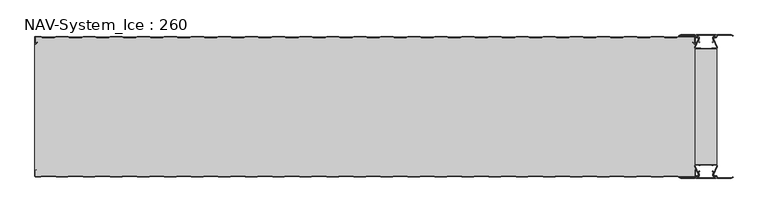
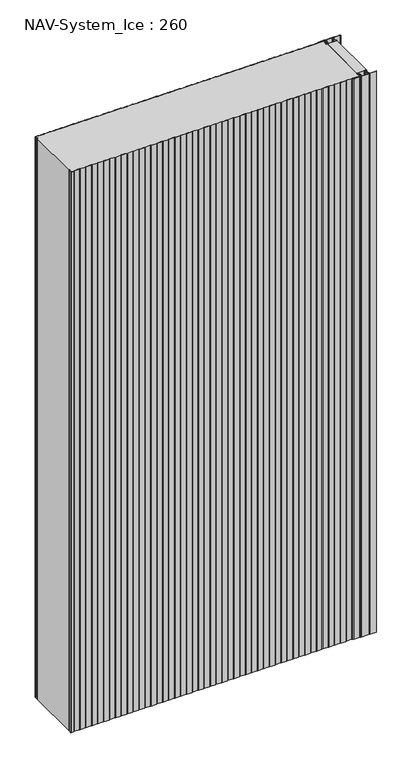
"""IFC4 building model written with IfcOpenShell, lengths in millimetres: plate geometry, NAV-System_Ice : 260."""

from ifc_helpers import new_model, si_unit, point, frame_2d, origin, origin_with_axes, place, context, project, spatial, polyline, circle_curve, trimmed, segment, composite_curve, outline, extrude, source, transform, mapped, element, save


def nav_system_ice_260_a8a6d92b(model_context):
    return source(origin(), model_context, "Body", "SweptSolid", [
        extrude(outline(polyline([(630.0, -236.9693935), (590.0, -236.9693935), (590.0, -23.0306065), (630.0, -23.0306065), (630.0, -236.9693935)])), origin_with_axes(), (0.0, 0.0, 1.0), 2500.0),
        extrude(outline(composite_curve([segment(trimmed(circle_curve(frame_2d((599.1138734, -251.8417863)), 3.357884), [point((596.1169606, -253.3563483))], [point((597.7243711, -248.7848813))], False, "CARTESIAN"), True, "CONTINUOUS"), segment(polyline([(597.7243711, -248.7848813), (598.0554135, -249.5131744)]), True, "CONTINUOUS"), segment(trimmed(circle_curve(frame_2d((599.1138734, -251.8417863)), 2.557884), [point((598.0554135, -249.5131744))], [point((596.8448746, -253.0226397))], True, "CARTESIAN"), True, "CONTINUOUS"), segment(polyline([(596.8448746, -253.0226397), (597.7376807, -255.2182139)]), True, "CONTINUOUS"), segment(trimmed(circle_curve(frame_2d((593.7962884, -256.3456266)), 4.0994674), [point((597.7376807, -255.2182139))], [point((593.7866434, -260.4450826))], False, "CARTESIAN"), True, "CONTINUOUS"), segment(polyline([(593.7866434, -260.4450826), (592.2194901, -260.4092333)]), True, "CONTINUOUS"), segment(trimmed(circle_curve(frame_2d((592.2592624, -261.3027113)), 0.8943628), [point((592.2194901, -260.4092333))], [point((592.2592624, -262.1970741))], True, "CARTESIAN"), True, "CONTINUOUS"), segment(polyline([(592.2592624, -262.1970741), (627.7407376, -262.1970741)]), True, "CONTINUOUS"), segment(trimmed(circle_curve(frame_2d((627.7407376, -261.3027113)), 0.8943628), [point((627.7407376, -262.1970741))], [point((627.7805099, -260.4092333))], True, "CARTESIAN"), True, "CONTINUOUS"), segment(polyline([(627.7805099, -260.4092333), (626.2133566, -260.4450826)]), True, "CONTINUOUS"), segment(trimmed(circle_curve(frame_2d((626.2037116, -256.3456266)), 4.0994674), [point((626.2133566, -260.4450826))], [point((622.2623193, -255.2182139))], False, "CARTESIAN"), True, "CONTINUOUS"), segment(polyline([(622.2623193, -255.2182139), (623.1551254, -253.0226397)]), True, "CONTINUOUS"), segment(trimmed(circle_curve(frame_2d((620.8861266, -251.8417863)), 2.557884), [point((623.1551254, -253.0226397))], [point((621.9445865, -249.5131744))], True, "CARTESIAN"), True, "CONTINUOUS"), segment(polyline([(621.9445865, -249.5131744), (622.2756289, -248.7848813)]), True, "CONTINUOUS"), segment(trimmed(circle_curve(frame_2d((620.8861266, -251.8417863)), 3.357884), [point((622.2756289, -248.7848813))], [point((623.8830394, -253.3563483))], False, "CARTESIAN"), True, "CONTINUOUS"), segment(polyline([(623.8830394, -253.3563483), (623.0205049, -255.4774793)]), True, "CONTINUOUS"), segment(trimmed(circle_curve(frame_2d((626.2037116, -256.3456266)), 3.2994674), [point((623.0205049, -255.4774793))], [point((626.2037116, -259.645094))], True, "CARTESIAN"), True, "CONTINUOUS"), segment(polyline([(626.2037116, -259.645094), (627.7848884, -259.6089239)]), True, "CONTINUOUS"), segment(trimmed(circle_curve(frame_2d((627.7407376, -261.3027113)), 1.6943628), [point((627.7848884, -259.6089239))], [point((627.7407423, -262.9970741))], False, "CARTESIAN"), True, "CONTINUOUS"), segment(polyline([(627.7407423, -262.9970741), (592.2592577, -262.9970741)]), True, "CONTINUOUS"), segment(trimmed(circle_curve(frame_2d((592.2592624, -261.3027113)), 1.6943628), [point((592.2592577, -262.9970741))], [point((592.2151116, -259.6089239))], False, "CARTESIAN"), True, "CONTINUOUS"), segment(polyline([(592.2151116, -259.6089239), (593.7962884, -259.645094)]), True, "CONTINUOUS"), segment(trimmed(circle_curve(frame_2d((593.7962884, -256.3456266)), 3.2994674), [point((593.7962884, -259.645094))], [point((596.9794951, -255.4774793))], True, "CARTESIAN"), True, "CONTINUOUS"), segment(polyline([(596.9794951, -255.4774793), (596.1169606, -253.3563483)]), True, "CONTINUOUS")], self_intersect=False)), origin_with_axes(), (0.0, 0.0, 1.0), 2500.0),
        extrude(outline(composite_curve([segment(polyline([(596.1169606, -6.6436517), (596.9794951, -4.5225207)]), True, "CONTINUOUS"), segment(trimmed(circle_curve(frame_2d((593.7962884, -3.6543734)), 3.2994674), [point((596.9794951, -4.5225207))], [point((593.7962884, -0.354906))], True, "CARTESIAN"), True, "CONTINUOUS"), segment(polyline([(593.7962884, -0.354906), (592.2151116, -0.3910761)]), True, "CONTINUOUS"), segment(trimmed(circle_curve(frame_2d((592.2592624, 1.3027113)), 1.6943628), [point((592.2151116, -0.3910761))], [point((592.2592577, 2.9970741))], False, "CARTESIAN"), True, "CONTINUOUS"), segment(polyline([(592.2592577, 2.9970741), (627.7407423, 2.9970741)]), True, "CONTINUOUS"), segment(trimmed(circle_curve(frame_2d((627.7407376, 1.3027113)), 1.6943628), [point((627.7407423, 2.9970741))], [point((627.7848884, -0.3910761))], False, "CARTESIAN"), True, "CONTINUOUS"), segment(polyline([(627.7848884, -0.3910761), (626.2037116, -0.354906)]), True, "CONTINUOUS"), segment(trimmed(circle_curve(frame_2d((626.2037116, -3.6543734)), 3.2994674), [point((626.2037116, -0.354906))], [point((623.0205049, -4.5225207))], True, "CARTESIAN"), True, "CONTINUOUS"), segment(polyline([(623.0205049, -4.5225207), (623.8830394, -6.6436517)]), True, "CONTINUOUS"), segment(trimmed(circle_curve(frame_2d((620.8861266, -8.1582137)), 3.357884), [point((623.8830394, -6.6436517))], [point((622.2756289, -11.2151187))], False, "CARTESIAN"), True, "CONTINUOUS"), segment(polyline([(622.2756289, -11.2151187), (621.9445865, -10.4868256)]), True, "CONTINUOUS"), segment(trimmed(circle_curve(frame_2d((620.8861266, -8.1582137)), 2.557884), [point((621.9445865, -10.4868256))], [point((623.1551254, -6.9773603))], True, "CARTESIAN"), True, "CONTINUOUS"), segment(polyline([(623.1551254, -6.9773603), (622.2623193, -4.7817861)]), True, "CONTINUOUS"), segment(trimmed(circle_curve(frame_2d((626.2037116, -3.6543734)), 4.0994674), [point((622.2623193, -4.7817861))], [point((626.2133566, 0.4450826))], False, "CARTESIAN"), True, "CONTINUOUS"), segment(polyline([(626.2133566, 0.4450826), (627.7805099, 0.4092333)]), True, "CONTINUOUS"), segment(trimmed(circle_curve(frame_2d((627.7407376, 1.3027113)), 0.8943628), [point((627.7805099, 0.4092333))], [point((627.7407376, 2.1970741))], True, "CARTESIAN"), True, "CONTINUOUS"), segment(polyline([(627.7407376, 2.1970741), (592.2592624, 2.1970741)]), True, "CONTINUOUS"), segment(trimmed(circle_curve(frame_2d((592.2592624, 1.3027113)), 0.8943628), [point((592.2592624, 2.1970741))], [point((592.2194901, 0.4092333))], True, "CARTESIAN"), True, "CONTINUOUS"), segment(polyline([(592.2194901, 0.4092333), (593.7866434, 0.4450826)]), True, "CONTINUOUS"), segment(trimmed(circle_curve(frame_2d((593.7962884, -3.6543734)), 4.0994674), [point((593.7866434, 0.4450826))], [point((597.7376807, -4.7817861))], False, "CARTESIAN"), True, "CONTINUOUS"), segment(polyline([(597.7376807, -4.7817861), (596.8448746, -6.9773603)]), True, "CONTINUOUS"), segment(trimmed(circle_curve(frame_2d((599.1138734, -8.1582137)), 2.557884), [point((596.8448746, -6.9773603))], [point((598.0554135, -10.4868256))], True, "CARTESIAN"), True, "CONTINUOUS"), segment(polyline([(598.0554135, -10.4868256), (597.7243711, -11.2151187)]), True, "CONTINUOUS"), segment(trimmed(circle_curve(frame_2d((599.1138734, -8.1582137)), 3.357884), [point((597.7243711, -11.2151187))], [point((596.1169606, -6.6436517))], False, "CARTESIAN"), True, "CONTINUOUS")], self_intersect=False)), origin_with_axes(), (0.0, 0.0, 1.0), 2500.0),
        extrude(outline(composite_curve([segment(trimmed(circle_curve(frame_2d((591.9446371, -239.7746821)), 1.80576), [point((591.9446371, -237.9689221))], [point((590.2170288, -240.300171))], True, "CARTESIAN"), True, "CONTINUOUS"), segment(polyline([(590.2170288, -240.300171), (596.4690067, -254.9459892)]), True, "CONTINUOUS"), segment(trimmed(circle_curve(frame_2d((593.7254406, -255.9868127)), 2.93436), [point((596.4690067, -254.9459892))], [point((593.7254406, -258.9211727))], False, "CARTESIAN"), True, "CONTINUOUS"), segment(polyline([(593.7254406, -258.9211727), (592.1347887, -258.9211727)]), True, "CONTINUOUS"), segment(trimmed(circle_curve(frame_2d((592.1347887, -260.5012127)), 1.58004), [point((592.1347887, -258.9211727))], [point((590.931072, -259.4776931))], True, "CARTESIAN"), True, "CONTINUOUS"), segment(polyline([(590.931072, -259.4776931), (589.0191946, -263.0112573), (562.9417977, -263.0112573), (560.0, -261.2043676), (560.523373, -260.3522639), (563.2243806, -262.0112573), (588.4232658, -262.0112573), (590.0952671, -258.9210361)]), True, "CONTINUOUS"), segment(trimmed(circle_curve(frame_2d((592.1347887, -260.5012127)), 2.58004), [point((590.0952671, -258.9210361))], [point((592.1347887, -257.9211727))], False, "CARTESIAN"), True, "CONTINUOUS"), segment(polyline([(592.1347887, -257.9211727), (593.7254406, -257.9211727)]), True, "CONTINUOUS"), segment(trimmed(circle_curve(frame_2d((593.7254406, -255.9868127)), 1.93436), [point((593.7254406, -257.9211727))], [point((595.5404425, -255.3178459))], True, "CARTESIAN"), True, "CONTINUOUS"), segment(polyline([(595.5404425, -255.3178459), (589.2784311, -240.6484726)]), True, "CONTINUOUS"), segment(trimmed(circle_curve(frame_2d((591.9446225, -239.7747413)), 2.8057055), [point((589.2784311, -240.6484726))], [point((591.9446225, -236.9690357))], False, "CARTESIAN"), True, "CONTINUOUS"), segment(polyline([(591.9446225, -236.9690357), (595.755568, -236.9690357)]), True, "CONTINUOUS"), segment(trimmed(circle_curve(frame_2d((595.7555679, -239.0975873)), 2.1285516), [point((595.755568, -236.9690357))], [point((597.1042828, -237.4508633))], False, "CARTESIAN"), True, "CONTINUOUS"), segment(trimmed(circle_curve(frame_2d((598.2552034, -236.0456377)), 1.8163913), [point((597.1042828, -237.4508633))], [point((599.4059468, -237.4510085))], True, "CARTESIAN"), True, "CONTINUOUS"), segment(trimmed(circle_curve(frame_2d((600.7543352, -239.0977575)), 2.128364), [point((599.4059468, -237.4510085))], [point((600.7543352, -236.9693935))], False, "CARTESIAN"), True, "CONTINUOUS"), segment(polyline([(600.7543352, -236.9693935), (619.2454674, -236.9693935)]), True, "CONTINUOUS"), segment(trimmed(circle_curve(frame_2d((619.2454674, -239.0977884)), 2.1283949), [point((619.2454674, -236.9693935))], [point((620.594293, -237.4513576))], False, "CARTESIAN"), True, "CONTINUOUS"), segment(trimmed(circle_curve(frame_2d((621.7456338, -236.0459847)), 1.8167715), [point((620.594293, -237.4513576))], [point((622.8963798, -237.4518446))], True, "CARTESIAN"), True, "CONTINUOUS"), segment(trimmed(circle_curve(frame_2d((624.244105, -239.0983528)), 2.1277576), [point((622.8963798, -237.4518446))], [point((624.244105, -236.9705952))], False, "CARTESIAN"), True, "CONTINUOUS"), segment(polyline([(624.244105, -236.9705952), (628.0535675, -236.9705952)]), True, "CONTINUOUS"), segment(trimmed(circle_curve(frame_2d((628.0535675, -239.7787791)), 2.8081839), [point((628.0535675, -236.9705952))], [point((630.7287795, -240.6326746))], False, "CARTESIAN"), True, "CONTINUOUS"), segment(polyline([(630.7287795, -240.6326746), (624.4595575, -255.3178459)]), True, "CONTINUOUS"), segment(trimmed(circle_curve(frame_2d((626.2745595, -255.9868127)), 1.93436), [point((624.4595575, -255.3178459))], [point((626.2745595, -257.9211727))], True, "CARTESIAN"), True, "CONTINUOUS"), segment(polyline([(626.2745595, -257.9211727), (627.8652113, -257.9211727)]), True, "CONTINUOUS"), segment(trimmed(circle_curve(frame_2d((627.8652113, -260.5012127)), 2.58004), [point((627.8652113, -257.9211727))], [point((629.9047329, -258.9210361))], False, "CARTESIAN"), True, "CONTINUOUS"), segment(polyline([(629.9047329, -258.9210361), (631.5767342, -262.0112573), (656.7756194, -262.0112573), (659.476627, -260.3522639), (660.0, -261.2043676), (657.0582024, -263.0112573), (630.9808054, -263.0112573), (629.068928, -259.4776931)]), True, "CONTINUOUS"), segment(trimmed(circle_curve(frame_2d((627.8652113, -260.5012127)), 1.58004), [point((629.068928, -259.4776931))], [point((627.8652113, -258.9211727))], True, "CARTESIAN"), True, "CONTINUOUS"), segment(polyline([(627.8652113, -258.9211727), (626.2745595, -258.9211727)]), True, "CONTINUOUS"), segment(trimmed(circle_curve(frame_2d((626.2745595, -255.9868127)), 2.93436), [point((626.2745595, -258.9211727))], [point((623.5309933, -254.9459892))], False, "CARTESIAN"), True, "CONTINUOUS"), segment(polyline([(623.5309933, -254.9459892), (629.7829713, -240.300171)]), True, "CONTINUOUS"), segment(trimmed(circle_curve(frame_2d((628.0553629, -239.7746822)), 1.80576), [point((629.7829713, -240.300171))], [point((628.0553629, -237.9689222))], True, "CARTESIAN"), True, "CONTINUOUS"), segment(polyline([(628.0553629, -237.9689222), (623.5184731, -237.9689222)]), True, "CONTINUOUS"), segment(trimmed(circle_curve(frame_2d((621.7449981, -236.0455076)), 2.6162449), [point((623.5184731, -237.9689222))], [point((619.7766029, -237.7689222))], False, "CARTESIAN"), True, "CONTINUOUS"), segment(polyline([(619.7766029, -237.7689222), (600.2233971, -237.7689222)]), True, "CONTINUOUS"), segment(trimmed(circle_curve(frame_2d((598.255002, -236.0455076)), 2.6162449), [point((600.2233971, -237.7689222))], [point((596.4815269, -237.9689221))], False, "CARTESIAN"), True, "CONTINUOUS"), segment(polyline([(596.4815269, -237.9689221), (591.9446371, -237.9689221)]), True, "CONTINUOUS")], self_intersect=False)), origin_with_axes(), (0.0, 0.0, 1.0), 2500.0),
        extrude(outline(composite_curve([segment(polyline([(591.9446371, -22.0310778), (596.4815269, -22.0310778)]), True, "CONTINUOUS"), segment(trimmed(circle_curve(frame_2d((598.2550019, -23.9544924)), 2.6162449), [point((596.4815269, -22.0310778))], [point((600.2233971, -22.2310778))], False, "CARTESIAN"), True, "CONTINUOUS"), segment(polyline([(600.2233971, -22.2310778), (619.7766029, -22.2310778)]), True, "CONTINUOUS"), segment(trimmed(circle_curve(frame_2d((621.7449981, -23.9544924)), 2.6162449), [point((619.7766029, -22.2310778))], [point((623.5184731, -22.0310778))], False, "CARTESIAN"), True, "CONTINUOUS"), segment(polyline([(623.5184731, -22.0310778), (628.0553629, -22.0310778)]), True, "CONTINUOUS"), segment(trimmed(circle_curve(frame_2d((628.0553629, -20.2253178)), 1.80576), [point((628.0553629, -22.0310778))], [point((629.7829712, -19.699829))], True, "CARTESIAN"), True, "CONTINUOUS"), segment(polyline([(629.7829712, -19.699829), (623.5309933, -5.0540108)]), True, "CONTINUOUS"), segment(trimmed(circle_curve(frame_2d((626.2745594, -4.0131873)), 2.93436), [point((623.5309933, -5.0540108))], [point((626.2745594, -1.0788273))], False, "CARTESIAN"), True, "CONTINUOUS"), segment(polyline([(626.2745594, -1.0788273), (627.8652113, -1.0788273)]), True, "CONTINUOUS"), segment(trimmed(circle_curve(frame_2d((627.8652113, 0.5012127)), 1.58004), [point((627.8652113, -1.0788273))], [point((629.068928, -0.5223069))], True, "CARTESIAN"), True, "CONTINUOUS"), segment(polyline([(629.068928, -0.5223069), (630.9808054, 3.0112573), (657.0582023, 3.0112573), (660.0, 1.2043676), (659.476627, 0.3522639), (656.7756194, 2.0112573), (631.5767342, 2.0112573), (629.9047329, -1.0789639)]), True, "CONTINUOUS"), segment(trimmed(circle_curve(frame_2d((627.8652113, 0.5012127)), 2.58004), [point((629.9047329, -1.0789639))], [point((627.8652113, -2.0788273))], False, "CARTESIAN"), True, "CONTINUOUS"), segment(polyline([(627.8652113, -2.0788273), (626.2745594, -2.0788273)]), True, "CONTINUOUS"), segment(trimmed(circle_curve(frame_2d((626.2745594, -4.0131873)), 1.93436), [point((626.2745594, -2.0788273))], [point((624.4595575, -4.6821541))], True, "CARTESIAN"), True, "CONTINUOUS"), segment(polyline([(624.4595575, -4.6821541), (630.7287795, -19.3673254)]), True, "CONTINUOUS"), segment(trimmed(circle_curve(frame_2d((628.0535675, -20.2212209)), 2.8081839), [point((630.7287795, -19.3673254))], [point((628.0535675, -23.0294048))], False, "CARTESIAN"), True, "CONTINUOUS"), segment(polyline([(628.0535675, -23.0294048), (624.244105, -23.0294048)]), True, "CONTINUOUS"), segment(trimmed(circle_curve(frame_2d((624.244105, -20.9016472)), 2.1277576), [point((624.244105, -23.0294048))], [point((622.8963798, -22.5481554))], False, "CARTESIAN"), True, "CONTINUOUS"), segment(trimmed(circle_curve(frame_2d((621.7456337, -23.9540153)), 1.8167716), [point((622.8963798, -22.5481554))], [point((620.5942929, -22.5486423))], True, "CARTESIAN"), True, "CONTINUOUS"), segment(trimmed(circle_curve(frame_2d((619.2454674, -20.9022116)), 2.1283949), [point((620.5942929, -22.5486423))], [point((619.2454674, -23.0306065))], False, "CARTESIAN"), True, "CONTINUOUS"), segment(polyline([(619.2454674, -23.0306065), (600.7543352, -23.0306065)]), True, "CONTINUOUS"), segment(trimmed(circle_curve(frame_2d((600.7543352, -20.9022425)), 2.128364), [point((600.7543352, -23.0306065))], [point((599.4059468, -22.5489915))], False, "CARTESIAN"), True, "CONTINUOUS"), segment(trimmed(circle_curve(frame_2d((598.2552034, -23.9543623)), 1.8163912), [point((599.4059468, -22.5489915))], [point((597.1042828, -22.5491367))], True, "CARTESIAN"), True, "CONTINUOUS"), segment(trimmed(circle_curve(frame_2d((595.7555679, -20.9024127)), 2.1285516), [point((597.1042828, -22.5491367))], [point((595.7555679, -23.0309643))], False, "CARTESIAN"), True, "CONTINUOUS"), segment(polyline([(595.7555679, -23.0309643), (591.9446225, -23.0309643)]), True, "CONTINUOUS"), segment(trimmed(circle_curve(frame_2d((591.9446225, -20.2252587)), 2.8057055), [point((591.9446225, -23.0309643))], [point((589.2784311, -19.3515274))], False, "CARTESIAN"), True, "CONTINUOUS"), segment(polyline([(589.2784311, -19.3515274), (595.5404425, -4.6821541)]), True, "CONTINUOUS"), segment(trimmed(circle_curve(frame_2d((593.7254406, -4.0131873)), 1.93436), [point((595.5404425, -4.6821541))], [point((593.7254406, -2.0788273))], True, "CARTESIAN"), True, "CONTINUOUS"), segment(polyline([(593.7254406, -2.0788273), (592.1347887, -2.0788273)]), True, "CONTINUOUS"), segment(trimmed(circle_curve(frame_2d((592.1347887, 0.5012127)), 2.58004), [point((592.1347887, -2.0788273))], [point((590.0952671, -1.0789639))], False, "CARTESIAN"), True, "CONTINUOUS"), segment(polyline([(590.0952671, -1.0789639), (588.4232658, 2.0112573), (563.2243806, 2.0112573), (560.523373, 0.3522639), (560.0, 1.2043676), (562.9417977, 3.0112573), (589.0191946, 3.0112573), (590.931072, -0.5223069)]), True, "CONTINUOUS"), segment(trimmed(circle_curve(frame_2d((592.1347887, 0.5012127)), 1.58004), [point((590.931072, -0.5223069))], [point((592.1347887, -1.0788273))], True, "CARTESIAN"), True, "CONTINUOUS"), segment(polyline([(592.1347887, -1.0788273), (593.7254406, -1.0788273)]), True, "CONTINUOUS"), segment(trimmed(circle_curve(frame_2d((593.7254406, -4.0131873)), 2.93436), [point((593.7254406, -1.0788273))], [point((596.4690067, -5.0540108))], False, "CARTESIAN"), True, "CONTINUOUS"), segment(polyline([(596.4690067, -5.0540108), (590.2170288, -19.699829)]), True, "CONTINUOUS"), segment(trimmed(circle_curve(frame_2d((591.9446371, -20.2253178)), 1.80576), [point((590.2170288, -19.699829))], [point((591.9446371, -22.0310778))], True, "CARTESIAN"), True, "CONTINUOUS")], self_intersect=False)), origin_with_axes(), (0.0, 0.0, 1.0), 2500.0),
        extrude(outline(composite_curve([segment(polyline([(559.1298221, -0.8), (556.1298221, -1.8), (533.8701779, -1.8), (530.8701779, -0.8), (509.1298221, -0.8), (506.1298221, -1.8), (483.8701779, -1.8), (480.8701779, -0.8), (459.1298221, -0.8), (456.1298221, -1.8), (433.8701779, -1.8), (430.8701779, -0.8), (409.1298221, -0.8), (406.1298221, -1.8), (383.8701779, -1.8), (380.8701779, -0.8), (359.1298221, -0.8), (356.1298221, -1.8), (333.8701779, -1.8), (330.8701779, -0.8), (309.1298221, -0.8), (306.1298221, -1.8), (283.8701779, -1.8), (280.8701779, -0.8), (259.1298221, -0.8), (256.1298221, -1.8), (233.8701779, -1.8), (230.8701779, -0.8), (209.1298221, -0.8), (206.1298221, -1.8), (183.8701779, -1.8), (180.8701779, -0.8), (159.1298221, -0.8), (156.1298221, -1.8), (133.8701779, -1.8), (130.8701779, -0.8), (109.1298221, -0.8), (106.1298221, -1.8), (83.8701779, -1.8), (80.8701779, -0.8), (59.1298221, -0.8), (56.1298221, -1.8), (33.8701779, -1.8), (30.8701779, -0.8), (9.1298221, -0.8), (6.1298221, -1.8), (-16.1298221, -1.8), (-19.1298221, -0.8), (-40.8701779, -0.8), (-43.8701779, -1.8), (-66.1298221, -1.8), (-69.1298221, -0.8), (-90.8701779, -0.8), (-93.8701779, -1.8), (-116.1298221, -1.8), (-119.1298221, -0.8), (-140.8701779, -0.8), (-143.8701779, -1.8), (-166.1298221, -1.8), (-169.1298221, -0.8), (-190.8701779, -0.8), (-193.8701779, -1.8), (-216.1298221, -1.8), (-219.1298221, -0.8), (-240.8701779, -0.8), (-243.8701779, -1.8), (-266.1298221, -1.8), (-269.1298221, -0.8), (-290.8701779, -0.8), (-293.8701779, -1.8), (-316.1298221, -1.8), (-319.1298221, -0.8), (-340.8701779, -0.8), (-343.8701779, -1.8), (-366.1298221, -1.8), (-369.1298221, -0.8), (-390.8701779, -0.8), (-393.8701779, -1.8), (-416.1298221, -1.8), (-419.1298221, -0.8), (-440.8701779, -0.8), (-443.8701779, -1.8), (-466.1298221, -1.8), (-469.1298221, -0.8), (-490.8701779, -0.8), (-493.8701779, -1.8), (-516.1298221, -1.8), (-519.1298221, -0.8), (-540.8701779, -0.8), (-543.8701779, -1.8), (-566.1298221, -1.8), (-569.1298221, -0.8), (-590.8701779, -0.8), (-593.8701779, -1.8), (-616.1298221, -1.8), (-619.1298221, -0.8), (-628.7, -0.8)]), True, "CONTINUOUS"), segment(trimmed(circle_curve(frame_2d((-628.7, -1.3)), 0.5), [point((-628.7, -0.8))], [point((-629.2, -1.3))], True, "CARTESIAN"), True, "CONTINUOUS"), segment(polyline([(-629.2, -1.3), (-629.2, -12.5857864)]), True, "CONTINUOUS"), segment(trimmed(circle_curve(frame_2d((-628.7, -12.5857864)), 0.5), [point((-629.2, -12.5857864))], [point((-628.3464466, -12.9393398))], True, "CARTESIAN"), True, "CONTINUOUS"), segment(polyline([(-628.3464466, -12.9393398), (-625.9205321, -10.5134253), (-625.3548467, -11.0791108), (-627.7807612, -13.5050253)]), True, "CONTINUOUS"), segment(trimmed(circle_curve(frame_2d((-628.7, -12.5857864)), 1.3), [point((-627.7807612, -13.5050253))], [point((-630.0, -12.5857864))], False, "CARTESIAN"), True, "CONTINUOUS"), segment(polyline([(-630.0, -12.5857864), (-630.0, -1.3)]), True, "CONTINUOUS"), segment(trimmed(circle_curve(frame_2d((-628.7, -1.3)), 1.3), [point((-630.0, -1.3))], [point((-628.7, 0.0))], False, "CARTESIAN"), True, "CONTINUOUS"), segment(polyline([(-628.7, 0.0), (-619.0, 0.0), (-616.0, -1.0), (-594.0, -1.0), (-591.0, 0.0), (-569.0, 0.0), (-566.0, -1.0), (-544.0, -1.0), (-541.0, 0.0), (-519.0, 0.0), (-516.0, -1.0), (-494.0, -1.0), (-491.0, 0.0), (-469.0, 0.0), (-466.0, -1.0), (-444.0, -1.0), (-441.0, 0.0), (-419.0, 0.0), (-416.0, -1.0), (-394.0, -1.0), (-391.0, 0.0), (-369.0, 0.0), (-366.0, -1.0), (-344.0, -1.0), (-341.0, 0.0), (-319.0, 0.0), (-316.0, -1.0), (-294.0, -1.0), (-291.0, 0.0), (-269.0, 0.0), (-266.0, -1.0), (-244.0, -1.0), (-241.0, 0.0), (-219.0, 0.0), (-216.0, -1.0), (-194.0, -1.0), (-191.0, 0.0), (-169.0, 0.0), (-166.0, -1.0), (-144.0, -1.0), (-141.0, 0.0), (-119.0, 0.0), (-116.0, -1.0), (-94.0, -1.0), (-91.0, 0.0), (-69.0, 0.0), (-66.0, -1.0), (-44.0, -1.0), (-41.0, 0.0), (-19.0, 0.0), (-16.0, -1.0), (6.0, -1.0), (9.0, 0.0), (31.0, 0.0), (34.0, -1.0), (56.0, -1.0), (59.0, 0.0), (81.0, 0.0), (84.0, -1.0), (106.0, -1.0), (109.0, 0.0), (131.0, 0.0), (134.0, -1.0), (156.0, -1.0), (159.0, 0.0), (181.0, 0.0), (184.0, -1.0), (206.0, -1.0), (209.0, 0.0), (231.0, 0.0), (234.0, -1.0), (256.0, -1.0), (259.0, 0.0), (281.0, 0.0), (284.0, -1.0), (306.0, -1.0), (309.0, 0.0), (331.0, 0.0), (334.0, -1.0), (356.0, -1.0), (359.0, 0.0), (381.0, 0.0), (384.0, -1.0), (406.0, -1.0), (409.0, 0.0), (431.0, 0.0), (434.0, -1.0), (456.0, -1.0), (459.0, 0.0), (481.0, 0.0), (484.0, -1.0), (506.0, -1.0), (509.0, 0.0), (531.0, 0.0), (534.0, -1.0), (556.0, -1.0), (559.0, 0.0), (588.7, 0.0)]), True, "CONTINUOUS"), segment(trimmed(circle_curve(frame_2d((588.7, -1.3)), 1.3), [point((588.7, 0.0))], [point((590.0, -1.3))], False, "CARTESIAN"), True, "CONTINUOUS"), segment(polyline([(590.0, -1.3), (590.0, -12.5857864)]), True, "CONTINUOUS"), segment(trimmed(circle_curve(frame_2d((588.7, -12.5857864)), 1.3), [point((590.0, -12.5857864))], [point((587.7807612, -13.5050253))], False, "CARTESIAN"), True, "CONTINUOUS"), segment(polyline([(587.7807612, -13.5050253), (585.3548467, -11.0791108), (585.9205321, -10.5134253), (588.3464466, -12.9393398)]), True, "CONTINUOUS"), segment(trimmed(circle_curve(frame_2d((588.7, -12.5857864)), 0.5), [point((588.3464466, -12.9393398))], [point((589.2, -12.5857864))], True, "CARTESIAN"), True, "CONTINUOUS"), segment(polyline([(589.2, -12.5857864), (589.2, -1.3)]), True, "CONTINUOUS"), segment(trimmed(circle_curve(frame_2d((588.7, -1.3)), 0.5), [point((589.2, -1.3))], [point((588.7, -0.8))], True, "CARTESIAN"), True, "CONTINUOUS"), segment(polyline([(588.7, -0.8), (559.1298221, -0.8)]), True, "CONTINUOUS")], self_intersect=False)), origin_with_axes(), (0.0, 0.0, 1.0), 2500.0),
        extrude(outline(composite_curve([segment(polyline([(559.1298221, -0.8), (588.7, -0.8)]), True, "CONTINUOUS"), segment(trimmed(circle_curve(frame_2d((588.7, -1.3)), 0.5), [point((588.7, -0.8))], [point((589.2, -1.3))], False, "CARTESIAN"), True, "CONTINUOUS"), segment(polyline([(589.2, -1.3), (589.2, -12.5857864)]), True, "CONTINUOUS"), segment(trimmed(circle_curve(frame_2d((588.7, -12.5857864)), 0.5), [point((589.2, -12.5857864))], [point((588.3464466, -12.9393398))], False, "CARTESIAN"), True, "CONTINUOUS"), segment(polyline([(588.3464466, -12.9393398), (585.9205321, -10.5134253), (585.3548467, -11.0791108), (587.7807612, -13.5050253)]), True, "CONTINUOUS"), segment(trimmed(circle_curve(frame_2d((588.7, -12.5857864)), 1.3), [point((587.7807612, -13.5050253))], [point((588.7, -13.8857864))], True, "CARTESIAN"), True, "CONTINUOUS"), segment(polyline([(588.7, -13.8857864), (590.0, -13.8857864), (590.0, -246.1142136), (588.7, -246.1142136)]), True, "CONTINUOUS"), segment(trimmed(circle_curve(frame_2d((588.7, -247.4142136)), 1.3), [point((588.7, -246.1142136))], [point((587.7807612, -246.4949747))], True, "CARTESIAN"), True, "CONTINUOUS"), segment(polyline([(587.7807612, -246.4949747), (585.3548467, -248.9208892), (585.9205321, -249.4865747), (588.3464466, -247.0606602)]), True, "CONTINUOUS"), segment(trimmed(circle_curve(frame_2d((588.7, -247.4142136)), 0.5), [point((588.3464466, -247.0606602))], [point((589.2, -247.4142136))], False, "CARTESIAN"), True, "CONTINUOUS"), segment(polyline([(589.2, -247.4142136), (589.2, -258.7)]), True, "CONTINUOUS"), segment(trimmed(circle_curve(frame_2d((588.7, -258.7)), 0.5), [point((589.2, -258.7))], [point((588.7, -259.2))], False, "CARTESIAN"), True, "CONTINUOUS"), segment(polyline([(588.7, -259.2), (559.1298221, -259.2), (556.1298221, -258.2), (533.8701779, -258.2), (530.8701779, -259.2), (509.1298221, -259.2), (506.1298221, -258.2), (483.8701779, -258.2), (480.8701779, -259.2), (459.1298221, -259.2), (456.1298221, -258.2), (433.8701779, -258.2), (430.8701779, -259.2), (409.1298221, -259.2), (406.1298221, -258.2), (383.8701779, -258.2), (380.8701779, -259.2), (359.1298221, -259.2), (356.1298221, -258.2), (333.8701779, -258.2), (330.8701779, -259.2), (309.1298221, -259.2), (306.1298221, -258.2), (283.8701779, -258.2), (280.8701779, -259.2), (259.1298221, -259.2), (256.1298221, -258.2), (233.8701779, -258.2), (230.8701779, -259.2), (209.1298221, -259.2), (206.1298221, -258.2), (183.8701779, -258.2), (180.8701779, -259.2), (159.1298221, -259.2), (156.1298221, -258.2), (133.8701779, -258.2), (130.8701779, -259.2), (109.1298221, -259.2), (106.1298221, -258.2), (83.8701779, -258.2), (80.8701779, -259.2), (59.1298221, -259.2), (56.1298221, -258.2), (33.8701779, -258.2), (30.8701779, -259.2), (9.1298221, -259.2), (6.1298221, -258.2), (-16.1298221, -258.2), (-19.1298221, -259.2), (-40.8701779, -259.2), (-43.8701779, -258.2), (-66.1298221, -258.2), (-69.1298221, -259.2), (-90.8701779, -259.2), (-93.8701779, -258.2), (-116.1298221, -258.2), (-119.1298221, -259.2), (-140.8701779, -259.2), (-143.8701779, -258.2), (-166.1298221, -258.2), (-169.1298221, -259.2), (-190.8701779, -259.2), (-193.8701779, -258.2), (-216.1298221, -258.2), (-219.1298221, -259.2), (-240.8701779, -259.2), (-243.8701779, -258.2), (-266.1298221, -258.2), (-269.1298221, -259.2), (-290.8701779, -259.2), (-293.8701779, -258.2), (-316.1298221, -258.2), (-319.1298221, -259.2), (-340.8701779, -259.2), (-343.8701779, -258.2), (-366.1298221, -258.2), (-369.1298221, -259.2), (-390.8701779, -259.2), (-393.8701779, -258.2), (-416.1298221, -258.2), (-419.1298221, -259.2), (-440.8701779, -259.2), (-443.8701779, -258.2), (-466.1298221, -258.2), (-469.1298221, -259.2), (-490.8701779, -259.2), (-493.8701779, -258.2), (-516.1298221, -258.2), (-519.1298221, -259.2), (-540.8701779, -259.2), (-543.8701779, -258.2), (-566.1298221, -258.2), (-569.1298221, -259.2), (-590.8701779, -259.2), (-593.8701779, -258.2), (-616.1298221, -258.2), (-619.1298221, -259.2), (-628.7, -259.2)]), True, "CONTINUOUS"), segment(trimmed(circle_curve(frame_2d((-628.7, -258.7)), 0.5), [point((-628.7, -259.2))], [point((-629.2, -258.7))], False, "CARTESIAN"), True, "CONTINUOUS"), segment(polyline([(-629.2, -258.7), (-629.2, -247.4142136)]), True, "CONTINUOUS"), segment(trimmed(circle_curve(frame_2d((-628.7, -247.4142136)), 0.5), [point((-629.2, -247.4142136))], [point((-628.3464466, -247.0606602))], False, "CARTESIAN"), True, "CONTINUOUS"), segment(polyline([(-628.3464466, -247.0606602), (-625.9205321, -249.4865747), (-625.3548467, -248.9208892), (-627.7807612, -246.4949747)]), True, "CONTINUOUS"), segment(trimmed(circle_curve(frame_2d((-628.7, -247.4142136)), 1.3), [point((-627.7807612, -246.4949747))], [point((-628.7, -246.1142136))], True, "CARTESIAN"), True, "CONTINUOUS"), segment(polyline([(-628.7, -246.1142136), (-630.0, -246.1142136), (-630.0, -13.8857864), (-628.7, -13.8857864)]), True, "CONTINUOUS"), segment(trimmed(circle_curve(frame_2d((-628.7, -12.5857864)), 1.3), [point((-628.7, -13.8857864))], [point((-627.7807612, -13.5050253))], True, "CARTESIAN"), True, "CONTINUOUS"), segment(polyline([(-627.7807612, -13.5050253), (-625.3548467, -11.0791108), (-625.9205321, -10.5134253), (-628.3464466, -12.9393398)]), True, "CONTINUOUS"), segment(trimmed(circle_curve(frame_2d((-628.7, -12.5857864)), 0.5), [point((-628.3464466, -12.9393398))], [point((-629.2, -12.5857864))], False, "CARTESIAN"), True, "CONTINUOUS"), segment(polyline([(-629.2, -12.5857864), (-629.2, -1.3)]), True, "CONTINUOUS"), segment(trimmed(circle_curve(frame_2d((-628.7, -1.3)), 0.5), [point((-629.2, -1.3))], [point((-628.7, -0.8))], False, "CARTESIAN"), True, "CONTINUOUS"), segment(polyline([(-628.7, -0.8), (-619.1298221, -0.8), (-616.1298221, -1.8), (-593.8701779, -1.8), (-590.8701779, -0.8), (-569.1298221, -0.8), (-566.1298221, -1.8), (-543.8701779, -1.8), (-540.8701779, -0.8), (-519.1298221, -0.8), (-516.1298221, -1.8), (-493.8701779, -1.8), (-490.8701779, -0.8), (-469.1298221, -0.8), (-466.1298221, -1.8), (-443.8701779, -1.8), (-440.8701779, -0.8), (-419.1298221, -0.8), (-416.1298221, -1.8), (-393.8701779, -1.8), (-390.8701779, -0.8), (-369.1298221, -0.8), (-366.1298221, -1.8), (-343.8701779, -1.8), (-340.8701779, -0.8), (-319.1298221, -0.8), (-316.1298221, -1.8), (-293.8701779, -1.8), (-290.8701779, -0.8), (-269.1298221, -0.8), (-266.1298221, -1.8), (-243.8701779, -1.8), (-240.8701779, -0.8), (-219.1298221, -0.8), (-216.1298221, -1.8), (-193.8701779, -1.8), (-190.8701779, -0.8), (-169.1298221, -0.8), (-166.1298221, -1.8), (-143.8701779, -1.8), (-140.8701779, -0.8), (-119.1298221, -0.8), (-116.1298221, -1.8), (-93.8701779, -1.8), (-90.8701779, -0.8), (-69.1298221, -0.8), (-66.1298221, -1.8), (-43.8701779, -1.8), (-40.8701779, -0.8), (-19.1298221, -0.8), (-16.1298221, -1.8), (6.1298221, -1.8), (9.1298221, -0.8), (30.8701779, -0.8), (33.8701779, -1.8), (56.1298221, -1.8), (59.1298221, -0.8), (80.8701779, -0.8), (83.8701779, -1.8), (106.1298221, -1.8), (109.1298221, -0.8), (130.8701779, -0.8), (133.8701779, -1.8), (156.1298221, -1.8), (159.1298221, -0.8), (180.8701779, -0.8), (183.8701779, -1.8), (206.1298221, -1.8), (209.1298221, -0.8), (230.8701779, -0.8), (233.8701779, -1.8), (256.1298221, -1.8), (259.1298221, -0.8), (280.8701779, -0.8), (283.8701779, -1.8), (306.1298221, -1.8), (309.1298221, -0.8), (330.8701779, -0.8), (333.8701779, -1.8), (356.1298221, -1.8), (359.1298221, -0.8), (380.8701779, -0.8), (383.8701779, -1.8), (406.1298221, -1.8), (409.1298221, -0.8), (430.8701779, -0.8), (433.8701779, -1.8), (456.1298221, -1.8), (459.1298221, -0.8), (480.8701779, -0.8), (483.8701779, -1.8), (506.1298221, -1.8), (509.1298221, -0.8), (530.8701779, -0.8), (533.8701779, -1.8), (556.1298221, -1.8), (559.1298221, -0.8)]), True, "CONTINUOUS")], self_intersect=False)), origin_with_axes(), (0.0, 0.0, 1.0), 2500.0),
        extrude(outline(composite_curve([segment(polyline([(559.1298221, -259.2), (588.7, -259.2)]), True, "CONTINUOUS"), segment(trimmed(circle_curve(frame_2d((588.7, -258.7)), 0.5), [point((588.7, -259.2))], [point((589.2, -258.7))], True, "CARTESIAN"), True, "CONTINUOUS"), segment(polyline([(589.2, -258.7), (589.2, -247.4142136)]), True, "CONTINUOUS"), segment(trimmed(circle_curve(frame_2d((588.7, -247.4142136)), 0.5), [point((589.2, -247.4142136))], [point((588.3464466, -247.0606602))], True, "CARTESIAN"), True, "CONTINUOUS"), segment(polyline([(588.3464466, -247.0606602), (585.9205321, -249.4865747), (585.3548467, -248.9208892), (587.7807612, -246.4949747)]), True, "CONTINUOUS"), segment(trimmed(circle_curve(frame_2d((588.7, -247.4142136)), 1.3), [point((587.7807612, -246.4949747))], [point((590.0, -247.4142136))], False, "CARTESIAN"), True, "CONTINUOUS"), segment(polyline([(590.0, -247.4142136), (590.0, -258.7)]), True, "CONTINUOUS"), segment(trimmed(circle_curve(frame_2d((588.7, -258.7)), 1.3), [point((590.0, -258.7))], [point((588.7, -260.0))], False, "CARTESIAN"), True, "CONTINUOUS"), segment(polyline([(588.7, -260.0), (559.0, -260.0), (556.0, -259.0), (534.0, -259.0), (531.0, -260.0), (509.0, -260.0), (506.0, -259.0), (484.0, -259.0), (481.0, -260.0), (459.0, -260.0), (456.0, -259.0), (434.0, -259.0), (431.0, -260.0), (409.0, -260.0), (406.0, -259.0), (384.0, -259.0), (381.0, -260.0), (359.0, -260.0), (356.0, -259.0), (334.0, -259.0), (331.0, -260.0), (309.0, -260.0), (306.0, -259.0), (284.0, -259.0), (281.0, -260.0), (259.0, -260.0), (256.0, -259.0), (234.0, -259.0), (231.0, -260.0), (209.0, -260.0), (206.0, -259.0), (184.0, -259.0), (181.0, -260.0), (159.0, -260.0), (156.0, -259.0), (134.0, -259.0), (131.0, -260.0), (109.0, -260.0), (106.0, -259.0), (84.0, -259.0), (81.0, -260.0), (59.0, -260.0), (56.0, -259.0), (34.0, -259.0), (31.0, -260.0), (9.0, -260.0), (6.0, -259.0), (-16.0, -259.0), (-19.0, -260.0), (-41.0, -260.0), (-44.0, -259.0), (-66.0, -259.0), (-69.0, -260.0), (-91.0, -260.0), (-94.0, -259.0), (-116.0, -259.0), (-119.0, -260.0), (-141.0, -260.0), (-144.0, -259.0), (-166.0, -259.0), (-169.0, -260.0), (-191.0, -260.0), (-194.0, -259.0), (-216.0, -259.0), (-219.0, -260.0), (-241.0, -260.0), (-244.0, -259.0), (-266.0, -259.0), (-269.0, -260.0), (-291.0, -260.0), (-294.0, -259.0), (-316.0, -259.0), (-319.0, -260.0), (-341.0, -260.0), (-344.0, -259.0), (-366.0, -259.0), (-369.0, -260.0), (-391.0, -260.0), (-394.0, -259.0), (-416.0, -259.0), (-419.0, -260.0), (-441.0, -260.0), (-444.0, -259.0), (-466.0, -259.0), (-469.0, -260.0), (-491.0, -260.0), (-494.0, -259.0), (-516.0, -259.0), (-519.0, -260.0), (-541.0, -260.0), (-544.0, -259.0), (-566.0, -259.0), (-569.0, -260.0), (-591.0, -260.0), (-594.0, -259.0), (-616.0, -259.0), (-619.0, -260.0), (-628.7, -260.0)]), True, "CONTINUOUS"), segment(trimmed(circle_curve(frame_2d((-628.7, -258.7)), 1.3), [point((-628.7, -260.0))], [point((-630.0, -258.7))], False, "CARTESIAN"), True, "CONTINUOUS"), segment(polyline([(-630.0, -258.7), (-630.0, -247.4142136)]), True, "CONTINUOUS"), segment(trimmed(circle_curve(frame_2d((-628.7, -247.4142136)), 1.3), [point((-630.0, -247.4142136))], [point((-627.7807612, -246.4949747))], False, "CARTESIAN"), True, "CONTINUOUS"), segment(polyline([(-627.7807612, -246.4949747), (-625.3548467, -248.9208892), (-625.9205321, -249.4865747), (-628.3464466, -247.0606602)]), True, "CONTINUOUS"), segment(trimmed(circle_curve(frame_2d((-628.7, -247.4142136)), 0.5), [point((-628.3464466, -247.0606602))], [point((-629.2, -247.4142136))], True, "CARTESIAN"), True, "CONTINUOUS"), segment(polyline([(-629.2, -247.4142136), (-629.2, -258.7)]), True, "CONTINUOUS"), segment(trimmed(circle_curve(frame_2d((-628.7, -258.7)), 0.5), [point((-629.2, -258.7))], [point((-628.7, -259.2))], True, "CARTESIAN"), True, "CONTINUOUS"), segment(polyline([(-628.7, -259.2), (-619.1298221, -259.2), (-616.1298221, -258.2), (-593.8701779, -258.2), (-590.8701779, -259.2), (-569.1298221, -259.2), (-566.1298221, -258.2), (-543.8701779, -258.2), (-540.8701779, -259.2), (-519.1298221, -259.2), (-516.1298221, -258.2), (-493.8701779, -258.2), (-490.8701779, -259.2), (-469.1298221, -259.2), (-466.1298221, -258.2), (-443.8701779, -258.2), (-440.8701779, -259.2), (-419.1298221, -259.2), (-416.1298221, -258.2), (-393.8701779, -258.2), (-390.8701779, -259.2), (-369.1298221, -259.2), (-366.1298221, -258.2), (-343.8701779, -258.2), (-340.8701779, -259.2), (-319.1298221, -259.2), (-316.1298221, -258.2), (-293.8701779, -258.2), (-290.8701779, -259.2), (-269.1298221, -259.2), (-266.1298221, -258.2), (-243.8701779, -258.2), (-240.8701779, -259.2), (-219.1298221, -259.2), (-216.1298221, -258.2), (-193.8701779, -258.2), (-190.8701779, -259.2), (-169.1298221, -259.2), (-166.1298221, -258.2), (-143.8701779, -258.2), (-140.8701779, -259.2), (-119.1298221, -259.2), (-116.1298221, -258.2), (-93.8701779, -258.2), (-90.8701779, -259.2), (-69.1298221, -259.2), (-66.1298221, -258.2), (-43.8701779, -258.2), (-40.8701779, -259.2), (-19.1298221, -259.2), (-16.1298221, -258.2), (6.1298221, -258.2), (9.1298221, -259.2), (30.8701779, -259.2), (33.8701779, -258.2), (56.1298221, -258.2), (59.1298221, -259.2), (80.8701779, -259.2), (83.8701779, -258.2), (106.1298221, -258.2), (109.1298221, -259.2), (130.8701779, -259.2), (133.8701779, -258.2), (156.1298221, -258.2), (159.1298221, -259.2), (180.8701779, -259.2), (183.8701779, -258.2), (206.1298221, -258.2), (209.1298221, -259.2), (230.8701779, -259.2), (233.8701779, -258.2), (256.1298221, -258.2), (259.1298221, -259.2), (280.8701779, -259.2), (283.8701779, -258.2), (306.1298221, -258.2), (309.1298221, -259.2), (330.8701779, -259.2), (333.8701779, -258.2), (356.1298221, -258.2), (359.1298221, -259.2), (380.8701779, -259.2), (383.8701779, -258.2), (406.1298221, -258.2), (409.1298221, -259.2), (430.8701779, -259.2), (433.8701779, -258.2), (456.1298221, -258.2), (459.1298221, -259.2), (480.8701779, -259.2), (483.8701779, -258.2), (506.1298221, -258.2), (509.1298221, -259.2), (530.8701779, -259.2), (533.8701779, -258.2), (556.1298221, -258.2), (559.1298221, -259.2)]), True, "CONTINUOUS")], self_intersect=False)), origin_with_axes(), (0.0, 0.0, 1.0), 2500.0),
    ])


if __name__ == "__main__":
    model = new_model("IFC4")
    model_context = context("Model", 3, world=origin())
    ifc_project = project(units=[si_unit("LENGTHUNIT", "METRE", prefix="MILLI")], contexts=[model_context])
    site = spatial("IfcSite", under=ifc_project)
    building = spatial("IfcBuilding", under=site)
    placement = place(None, origin())
    nav_system_ice_260_shape = nav_system_ice_260_a8a6d92b(model_context)
    element("IfcPlate", 1, ObjectType="NAV-System_Ice : 260", at=placement, inside=building, context=model_context, shape_type="MappedRepresentation", body=[
        mapped(nav_system_ice_260_shape, transform((0.0, 0.0, 0.0), x_axis=(1.0, 0.0, 0.0), y_axis=(0.0, 1.0, 0.0), z_axis=(0.0, 0.0, 1.0))),
    ])
    save(model, "model.ifc")
